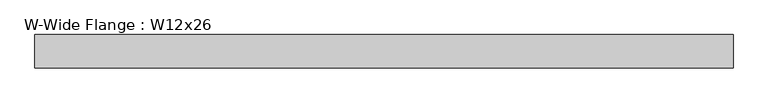
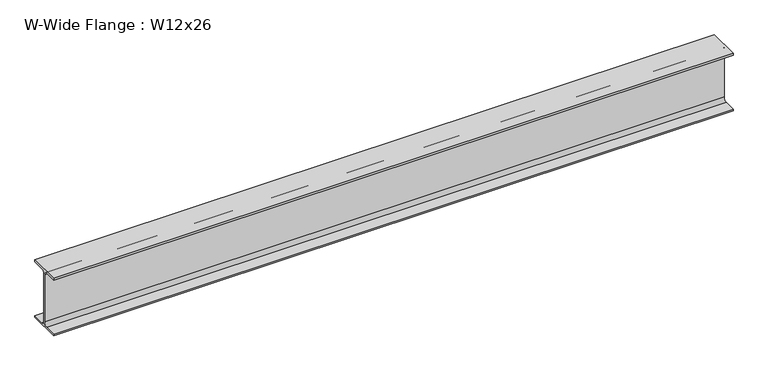
"""IFC4 building model written with IfcOpenShell, lengths in millimetres: beam geometry, W-Wide Flange : W12x26."""

from ifc_helpers import new_model, si_unit, point, frame, frame_2d, origin, place, context, project, spatial, polyline, circle_curve, trimmed, segment, composite_curve, outline, extrude, source, transform, mapped, element, save


def w_wide_flange_w12x26_c509e74b(model_context):
    return source(origin(), model_context, "Body", "SweptSolid", [
        extrude(outline(composite_curve([segment(polyline([(82.423, -145.288), (82.423, -154.94), (-82.423, -154.94), (-82.423, -145.288), (-20.2565, -145.288)]), True, "CONTINUOUS"), segment(trimmed(circle_curve(frame_2d((-20.2565, -127.9525)), 17.3355), [point((-20.2565, -145.288))], [point((-2.921, -127.9525))], True, "CARTESIAN"), True, "CONTINUOUS"), segment(polyline([(-2.921, -127.9525), (-2.921, 127.9525)]), True, "CONTINUOUS"), segment(trimmed(circle_curve(frame_2d((-20.2565, 127.9525)), 17.3355), [point((-2.921, 127.9525))], [point((-20.2565, 145.288))], True, "CARTESIAN"), True, "CONTINUOUS"), segment(polyline([(-20.2565, 145.288), (-82.423, 145.288), (-82.423, 154.94), (82.423, 154.94), (82.423, 145.288), (20.2565, 145.288)]), True, "CONTINUOUS"), segment(trimmed(circle_curve(frame_2d((20.2565, 127.9525)), 17.3355), [point((20.2565, 145.288))], [point((2.921, 127.9525))], True, "CARTESIAN"), True, "CONTINUOUS"), segment(polyline([(2.921, 127.9525), (2.921, -127.9525)]), True, "CONTINUOUS"), segment(trimmed(circle_curve(frame_2d((20.2565, -127.9525)), 17.3355), [point((2.921, -127.9525))], [point((20.2565, -145.288))], True, "CARTESIAN"), True, "CONTINUOUS"), segment(polyline([(20.2565, -145.288), (82.423, -145.288)]), True, "CONTINUOUS")], self_intersect=False)), frame((-1675.0946021, 0.0, 0.0), z_axis=(1.0, 0.0, 0.0), x_axis=(0.0, 1.0, 0.0)), (0.0, 0.0, 1.0), 3466.1612516),
    ])


if __name__ == "__main__":
    model = new_model("IFC4")
    model_context = context("Model", 3, world=origin())
    ifc_project = project(units=[si_unit("LENGTHUNIT", "METRE", prefix="MILLI")], contexts=[model_context])
    site = spatial("IfcSite", under=ifc_project)
    building = spatial("IfcBuilding", under=site)
    placement = place(None, origin())
    w_wide_flange_w12x26_shape = w_wide_flange_w12x26_c509e74b(model_context)
    element("IfcBeam", 1, ObjectType="W-Wide Flange : W12x26", at=placement, inside=building, context=model_context, shape_type="MappedRepresentation", body=[
        mapped(w_wide_flange_w12x26_shape, transform((0.0, 0.0, 0.0), x_axis=(1.0, 0.0, 0.0), y_axis=(0.0, 1.0, 0.0), z_axis=(0.0, 0.0, 1.0))),
    ])
    save(model, "model.ifc")
